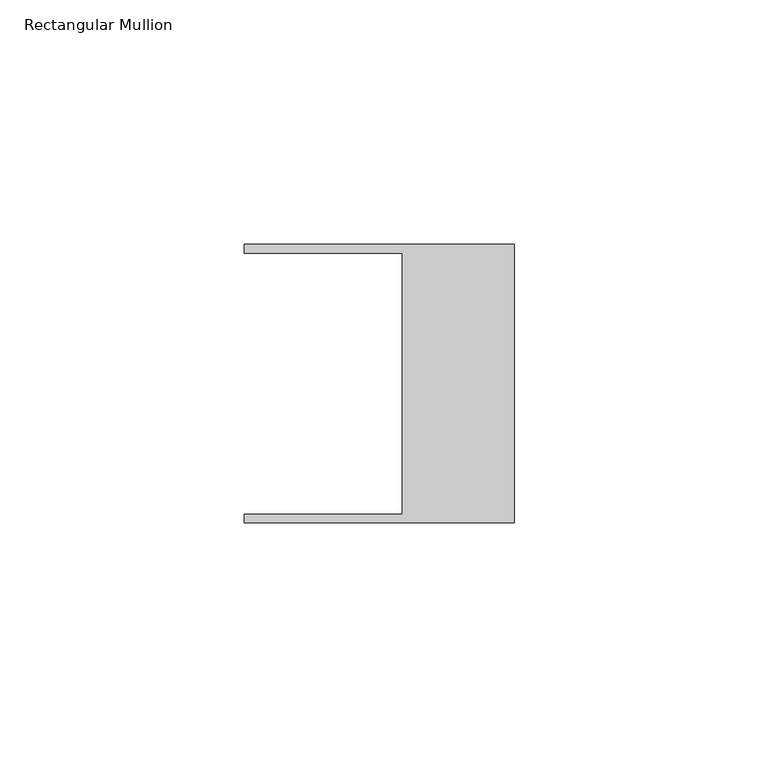
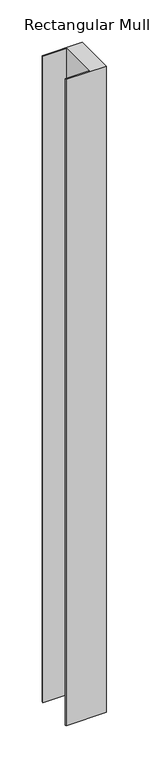
"""IFC4 building model written with IfcOpenShell, lengths in millimetres: member geometry, Rectangular Mullion."""

from ifc_helpers import new_model, si_unit, frame, origin, place, context, project, spatial, polyline, outline, extrude, source, transform, mapped, element, save


def rectangular_mullion_136b3a9d(model_context):
    return source(origin(), model_context, "Body", "SweptSolid", [
        extrude(outline(polyline([(-55.118, 26.67), (-55.118, 28.448), (0.0, 28.448), (0.0, -28.448), (-55.118, -28.448), (-55.118, -26.67), (-22.86, -26.67), (-22.86, 26.67), (-55.118, 26.67)])), frame((0.0, 0.0, -935.2916552), z_axis=(0.0, 0.0, 1.0), x_axis=(1.0, 0.0, 0.0)), (0.0, 0.0, 1.0), 935.2916552),
    ])


if __name__ == "__main__":
    model = new_model("IFC4")
    model_context = context("Model", 3, world=origin())
    ifc_project = project(units=[si_unit("LENGTHUNIT", "METRE", prefix="MILLI")], contexts=[model_context])
    site = spatial("IfcSite", under=ifc_project)
    building = spatial("IfcBuilding", under=site)
    placement = place(None, origin())
    rectangular_mullion_shape = rectangular_mullion_136b3a9d(model_context)
    element("IfcMember", 1, ObjectType="Rectangular Mullion", at=placement, inside=building, context=model_context, shape_type="MappedRepresentation", body=[
        mapped(rectangular_mullion_shape, transform((0.0, 0.0, 0.0), x_axis=(1.0, 0.0, 0.0), y_axis=(0.0, 1.0, 0.0), z_axis=(0.0, 0.0, 1.0))),
    ])
    save(model, "model.ifc")
